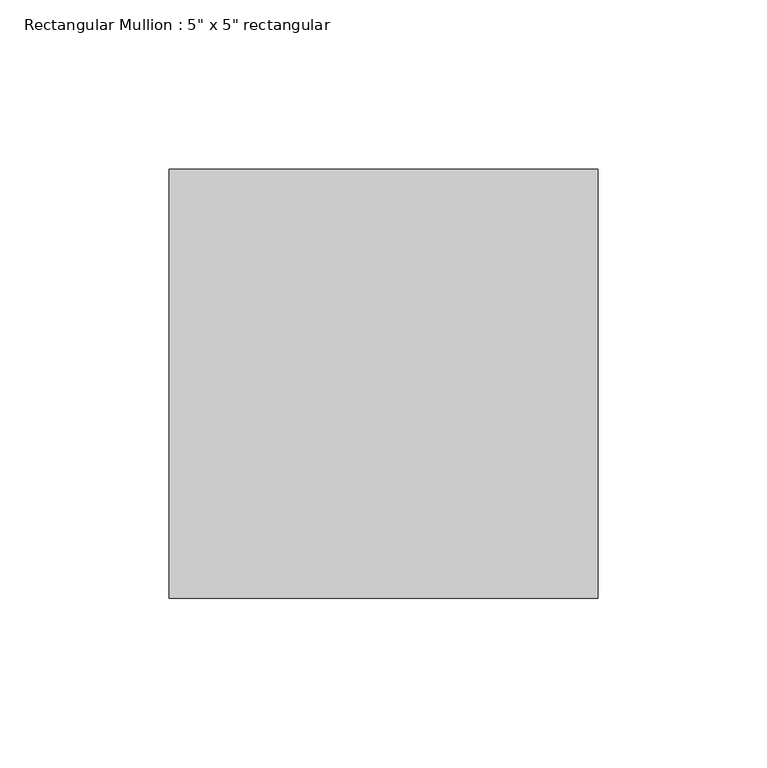
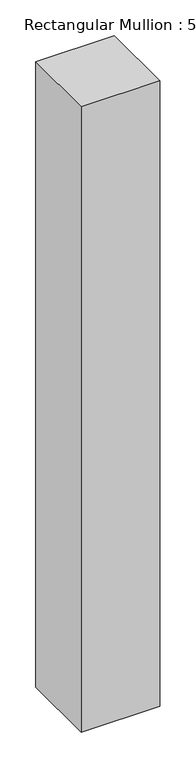
"""IFC4 building model written with IfcOpenShell, lengths in millimetres: member geometry."""

from ifc_helpers import new_model, si_unit, frame, origin, place, context, project, spatial, polyline, outline, extrude, source, transform, mapped, element, save


def member_46adbf80(model_context):
    return source(origin(), model_context, "Body", "SweptSolid", [
        extrude(outline(polyline([(0.0, 63.5), (0.0, -63.5), (-127.0, -63.5), (-127.0, 63.5), (0.0, 63.5)])), frame((0.0, 0.0, -1066.8), z_axis=(0.0, 0.0, 1.0), x_axis=(1.0, 0.0, 0.0)), (0.0, 0.0, 1.0), 1066.8),
    ])


if __name__ == "__main__":
    model = new_model("IFC4")
    model_context = context("Model", 3, world=origin())
    ifc_project = project(units=[si_unit("LENGTHUNIT", "METRE", prefix="MILLI")], contexts=[model_context])
    site = spatial("IfcSite", under=ifc_project)
    building = spatial("IfcBuilding", under=site)
    placement = place(None, origin())
    member_shape = member_46adbf80(model_context)
    element("IfcMember", 1, ObjectType="Rectangular Mullion : 5\" x 5\" rectangular", at=placement, inside=building, context=model_context, shape_type="MappedRepresentation", body=[
        mapped(member_shape, transform((0.0, 0.0, 0.0), x_axis=(1.0, 0.0, 0.0), y_axis=(0.0, 1.0, 0.0), z_axis=(0.0, 0.0, 1.0))),
    ])
    save(model, "model.ifc")
